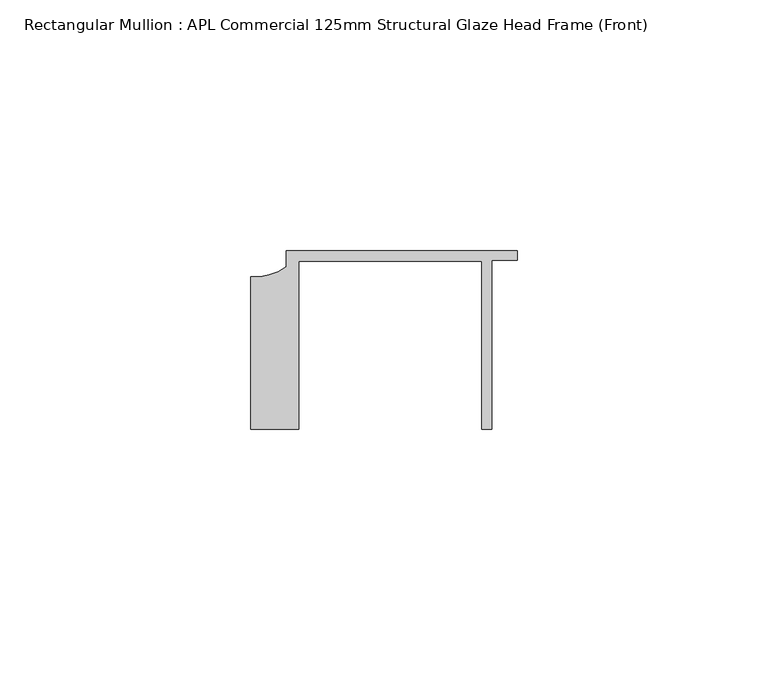
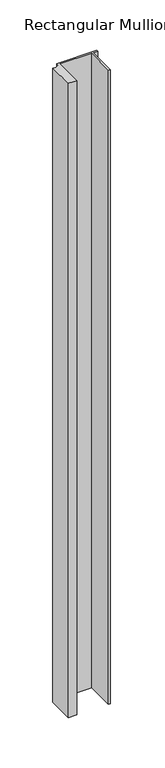
"""IFC4 building model written with IfcOpenShell, lengths in millimetres: member geometry, Rectangular Mullion : APL Commercial 125mm Structural Glaze Head Frame (Front)."""

from ifc_helpers import new_model, si_unit, point, frame, frame_2d, origin, place, context, project, spatial, polyline, circle_curve, trimmed, segment, composite_curve, outline, extrude, source, transform, mapped, element, save


def rectangular_mullion_apl_commercial_125mm_structural_glaze_778be170(model_context):
    return source(origin(), model_context, "Body", "SweptSolid", [
        extrude(outline(composite_curve([segment(polyline([(-52.9999542, -15.0), (-52.9999542, 15.3798304)]), True, "CONTINUOUS"), segment(trimmed(circle_curve(frame_2d((-52.109817, 25.7982641)), 10.4563907), [point((-52.9999542, 15.3798304))], [point((-45.9999994, 17.3126154))], True, "CARTESIAN"), True, "CONTINUOUS"), segment(polyline([(-45.9999994, 17.3126154), (-45.9999994, 20.5002486), (0.0, 20.5002486), (0.0, 18.7002486), (-5.0, 18.7002486), (-5.0, -15.0), (-7.0, -15.0), (-7.0, 18.5002486), (-43.5000151, 18.5002486), (-43.5000151, -15.0), (-52.9999542, -15.0)]), True, "CONTINUOUS")], self_intersect=False)), frame((0.0, 0.0, -768.0001218), z_axis=(0.0, 0.0, 1.0), x_axis=(1.0, 0.0, 0.0)), (0.0, 0.0, 1.0), 768.0001218),
    ])


if __name__ == "__main__":
    model = new_model("IFC4")
    model_context = context("Model", 3, world=origin())
    ifc_project = project(units=[si_unit("LENGTHUNIT", "METRE", prefix="MILLI")], contexts=[model_context])
    site = spatial("IfcSite", under=ifc_project)
    building = spatial("IfcBuilding", under=site)
    placement = place(None, origin())
    rectangular_mullion_apl_commercial_125mm_structural_glaze_shape = rectangular_mullion_apl_commercial_125mm_structural_glaze_778be170(model_context)
    element("IfcMember", 1, ObjectType="Rectangular Mullion : APL Commercial 125mm Structural Glaze Head Frame (Front)", at=placement, inside=building, context=model_context, shape_type="MappedRepresentation", body=[
        mapped(rectangular_mullion_apl_commercial_125mm_structural_glaze_shape, transform((0.0, 0.0, 0.0), x_axis=(1.0, 0.0, 0.0), y_axis=(0.0, 1.0, 0.0), z_axis=(0.0, 0.0, 1.0))),
    ])
    save(model, "model.ifc")
